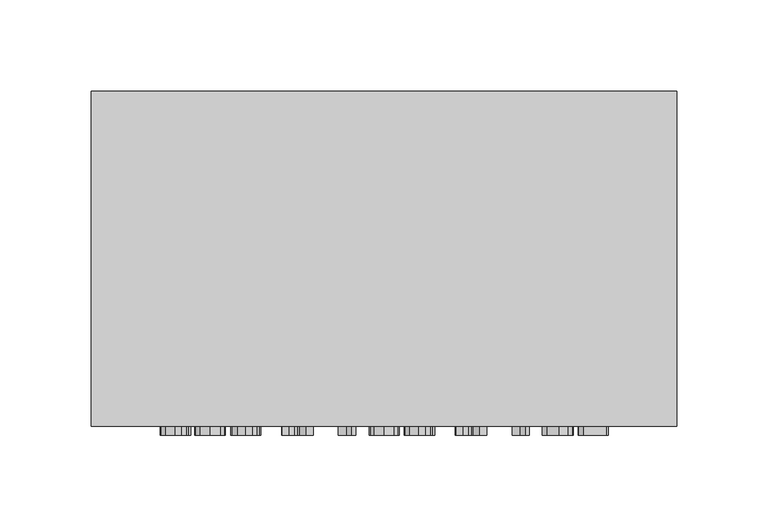
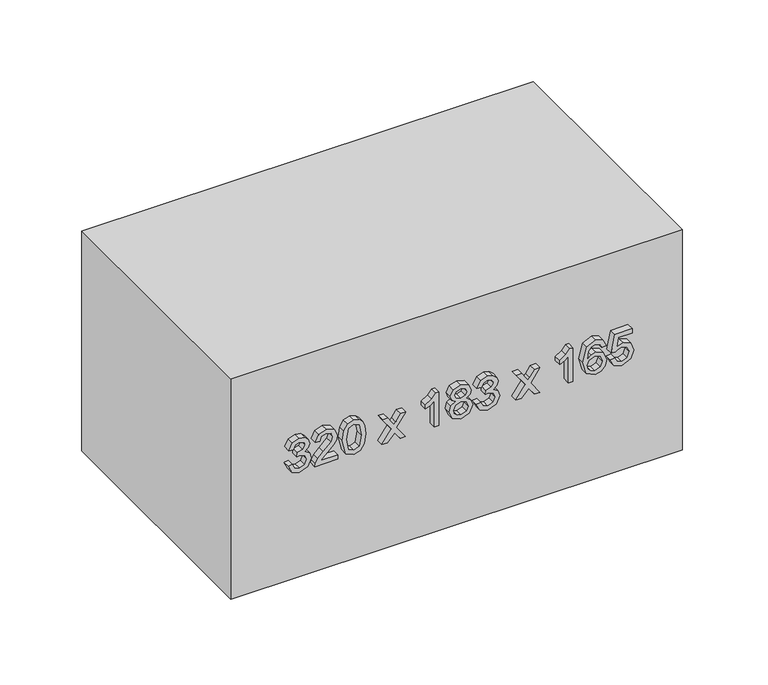
"""IFC4 building model written with IfcOpenShell, lengths in millimetres: furniture geometry."""

from ifc_helpers import new_model, si_unit, frame, origin, origin_with_axes, place, context, project, spatial, polyline, outline, extrude, source, transform, mapped, element, save


def furniture_33647329(model_context):
    return source(origin(), model_context, "Body", "SweptSolid", [
        extrude(outline(polyline([(89.1709268, -77.5345978), (84.0757612, -75.0391316), (82.1075925, -69.5331644), (84.4129864, -63.4569801), (90.0293182, -61.0534844), (94.1128083, -62.2552323), (96.2587866, -65.6765349), (98.3373199, -63.1013609), (101.2313249, -62.2307068), (104.3981758, -63.1473461), (106.7526205, -65.7960965), (107.6140775, -69.5822154), (105.8666381, -74.5731478), (100.9431507, -77.1421904), (100.5507432, -74.0029307), (103.4937992, -72.4639577), (104.4748178, -69.4718508), (103.5029962, -66.5165321), (101.0473839, -65.3699665), (98.2760062, -66.9518591), (97.4114835, -71.0169551), (94.2722238, -71.366443), (94.6155804, -69.1652824), (93.3310591, -65.5968271), (90.0845005, -64.1927441), (86.6386724, -65.6090898), (85.2468522, -69.4227998), (86.2585277, -72.6632271), (89.5633343, -74.3953381), (89.1709268, -77.5345978)])), frame((0.0, -188.0, 0.0), z_axis=(0.0, 1.0, 0.0), x_axis=(0.0, 0.0, 1.0)), (0.0, 0.0, 1.0), 5.0),
        extrude(outline(polyline([(85.6392597, -42.2179263), (85.6392597, -54.5481045), (87.2364807, -53.1317588), (90.2561787, -49.5203839), (94.5573324, -45.0230265), (97.6352784, -43.1682881), (100.6120569, -42.6103338), (105.6029893, -44.67967), (107.6140775, -50.2990675), (105.8053244, -55.9000708), (100.5507432, -58.3066322), (100.1583358, -55.1673725), (103.3282523, -53.846063), (104.4748178, -50.3665125), (103.3006611, -47.0279834), (100.4219845, -45.7495934), (96.8657919, -47.1046255), (91.6357362, -52.5247535), (87.9967701, -56.4549595), (84.6643724, -58.3618145), (82.5, -58.6990397), (82.5, -42.2179263), (85.6392597, -42.2179263)])), frame((0.0, -188.0, 0.0), z_axis=(0.0, 1.0, 0.0), x_axis=(0.0, 0.0, 1.0)), (0.0, 0.0, 1.0), 5.0),
        extrude(outline(polyline([(94.8547037, -39.0786666), (84.4988255, -36.577069), (82.1075925, -30.8381099), (83.4840843, -26.2426507), (87.659545, -23.5111268), (94.8547037, -22.5975532), (100.756144, -23.1677703), (104.4717522, -24.6392983), (106.8047371, -27.1715527), (107.6140775, -30.8381099), (106.2467828, -35.4151751), (102.0805192, -38.1558959), (94.8547037, -39.0786666)]), holes=[polyline([(94.860835, -35.9394069), (102.7948234, -34.418828), (104.4748178, -30.8748981), (102.5679628, -27.15929), (94.860835, -25.7368129), (87.0709338, -27.2083409), (85.2468522, -30.8381099), (87.0648024, -34.4678789), (94.860835, -35.9394069)])]), frame((0.0, -188.0, 0.0), z_axis=(0.0, 1.0, 0.0), x_axis=(0.0, 0.0, 1.0)), (0.0, 0.0, 1.0), 5.0),
        extrude(outline(polyline([(82.5, -11.2177368), (82.5, -7.440815), (88.0734122, -1.9655047), (82.5, 1.8788622), (82.5, 5.655784), (91.7706263, -0.7331), (100.9431507, 5.9010387), (100.9431507, 2.1241169), (96.148422, -1.3462366), (94.4439021, -2.5786413), (96.5285667, -4.0011184), (100.9431507, -7.0484076), (100.9431507, -10.8253294), (91.7706263, -4.5100218), (82.5, -11.2177368)])), frame((0.0, -188.0, 0.0), z_axis=(0.0, 1.0, 0.0), x_axis=(0.0, 0.0, 1.0)), (0.0, 0.0, 1.0), 5.0),
        extrude(outline(polyline([(82.5, 29.2002317), (107.6140775, 29.2002317), (107.6140775, 27.1768807), (104.2724827, 24.3840433), (101.3355582, 19.7824526), (98.3679767, 19.7824526), (99.952935, 23.0872592), (102.0713221, 26.060972), (82.5, 26.060972), (82.5, 29.2002317)])), frame((0.0, -188.0, 0.0), z_axis=(0.0, 1.0, 0.0), x_axis=(0.0, 0.0, 1.0)), (0.0, 0.0, 1.0), 5.0),
        extrude(outline(polyline([(96.332363, 41.2299729), (94.0514946, 37.8454586), (89.8944281, 36.6559735), (84.3363443, 38.9245791), (82.1075925, 44.8965302), (84.3271472, 50.8684812), (89.808589, 53.1370869), (93.8706193, 51.993587), (96.332363, 48.6550579), (98.2729405, 51.4356326), (101.2313249, 52.3522719), (105.7562735, 50.2921328), (107.6140775, 44.8536106), (105.799193, 39.4641394), (101.3171641, 37.4407884), (98.2821376, 38.3696904), (96.332363, 41.2299729)]), holes=[polyline([(101.2251936, 40.5800481), (103.5183247, 41.7112852), (104.4748178, 44.8965302), (103.4968649, 48.0725781), (101.0841721, 49.2130122), (98.7542528, 48.1093663), (97.803891, 44.9333184), (98.7603842, 41.6928911), (101.2251936, 40.5800481)]), polyline([(90.0047927, 39.7952332), (93.3341248, 41.122674), (94.6646313, 44.8168224), (93.3157307, 48.6182697), (89.9066908, 49.9978272), (86.5620304, 48.6611892), (85.2468522, 44.9210556), (85.8722516, 42.1742034), (87.6411509, 40.319465), (90.0047927, 39.7952332)])]), frame((0.0, -188.0, 0.0), z_axis=(0.0, 1.0, 0.0), x_axis=(0.0, 0.0, 1.0)), (0.0, 0.0, 1.0), 5.0),
        extrude(outline(polyline([(89.1709268, 55.8839391), (84.0757612, 58.3794053), (82.1075925, 63.8853725), (84.4129864, 69.9615568), (90.0293182, 72.3650525), (94.1128083, 71.1633046), (96.2587866, 67.7420021), (98.3373199, 70.317176), (101.2313249, 71.1878301), (104.3981758, 70.2711908), (106.7526205, 67.6224404), (107.6140775, 63.8363215), (105.8666381, 58.8453891), (100.9431507, 56.2763465), (100.5507432, 59.4156062), (103.4937992, 60.9545793), (104.4748178, 63.9466861), (103.5029962, 66.9020048), (101.0473839, 68.0485704), (98.2760062, 66.4666778), (97.4114835, 62.4015818), (94.2722238, 62.0520939), (94.6155804, 64.2532545), (93.3310591, 67.8217098), (90.0845005, 69.2257928), (86.6386724, 67.8094471), (85.2468522, 63.9957371), (86.2585277, 60.7553098), (89.5633343, 59.0231988), (89.1709268, 55.8839391)])), frame((0.0, -188.0, 0.0), z_axis=(0.0, 1.0, 0.0), x_axis=(0.0, 0.0, 1.0)), (0.0, 0.0, 1.0), 5.0),
        extrude(outline(polyline([(82.5, 83.7448689), (82.5, 87.5217907), (88.0734122, 92.997101), (82.5, 96.8414679), (82.5, 100.6183897), (91.7706263, 94.2295057), (100.9431507, 100.8636444), (100.9431507, 97.0867225), (96.148422, 93.6163691), (94.4439021, 92.3839644), (96.5285667, 90.9614873), (100.9431507, 87.9141981), (100.9431507, 84.1372763), (91.7706263, 90.4525839), (82.5, 83.7448689)])), frame((0.0, -188.0, 0.0), z_axis=(0.0, 1.0, 0.0), x_axis=(0.0, 0.0, 1.0)), (0.0, 0.0, 1.0), 5.0),
        extrude(outline(polyline([(82.5, 124.1628374), (107.6140775, 124.1628374), (107.6140775, 122.1394864), (104.2724827, 119.3466489), (101.3355582, 114.7450583), (98.3679767, 114.7450583), (99.952935, 118.0498649), (102.0713221, 121.0235777), (82.5, 121.0235777), (82.5, 124.1628374)])), frame((0.0, -188.0, 0.0), z_axis=(0.0, 1.0, 0.0), x_axis=(0.0, 0.0, 1.0)), (0.0, 0.0, 1.0), 5.0),
        extrude(outline(polyline([(100.9431507, 147.7072851), (105.8421126, 145.3896285), (107.6140775, 140.4293529), (104.7507293, 133.9730239), (94.2231729, 131.2261717), (84.9280212, 133.7001781), (82.1075925, 140.0982591), (83.1713846, 144.2124061), (86.2370679, 147.0634916), (90.5688784, 148.0996925), (96.3507571, 145.8985319), (98.5887059, 140.564243), (97.7701685, 137.1337434), (95.2655052, 134.3654314), (100.8603772, 135.2575452), (103.7145284, 137.4004579), (104.4748178, 140.2331492), (103.1688368, 143.3785403), (100.5507432, 144.5680254), (100.9431507, 147.7072851)]), holes=[polyline([(90.6179294, 134.3654314), (94.115874, 135.9258642), (95.4494462, 139.7242458), (94.115874, 143.5716783), (90.4646452, 144.9604329), (86.6509352, 143.5532842), (85.2468522, 139.8530045), (85.9243682, 137.0233788), (87.8986683, 135.0919983), (90.6179294, 134.3654314)])]), frame((0.0, -188.0, 0.0), z_axis=(0.0, 1.0, 0.0), x_axis=(0.0, 0.0, 1.0)), (0.0, 0.0, 1.0), 5.0),
        extrude(outline(polyline([(89.1709268, 150.8465448), (84.0420387, 153.2960257), (82.1075925, 158.8357154), (85.1180935, 165.3594895), (90.9428918, 167.3276582), (96.7309018, 165.141826), (98.9811134, 159.7738145), (97.1662289, 155.181421), (104.0824104, 156.5241902), (104.0824104, 166.1504358), (107.2216701, 166.1504358), (107.2216701, 153.9858045), (94.2722238, 151.2389522), (93.8798164, 154.3782119), (95.2961621, 156.1409798), (95.8418537, 158.8970291), (94.4745589, 162.8732203), (90.7466881, 164.1883985), (86.7521027, 162.7843155), (85.2468522, 158.8479782), (86.3290384, 155.567697), (89.5633343, 153.9858045), (89.1709268, 150.8465448)])), frame((0.0, -188.0, 0.0), z_axis=(0.0, 1.0, 0.0), x_axis=(0.0, 0.0, 1.0)), (0.0, 0.0, 1.0), 5.0),
        extrude(outline(polyline([(204.7003264, 0.0), (204.7003264, -183.0), (-115.2996736, -183.0), (-115.2996736, 0.0), (204.7003264, 0.0)])), origin_with_axes(), (0.0, 0.0, 1.0), 165.0),
    ])


if __name__ == "__main__":
    model = new_model("IFC4")
    model_context = context("Model", 3, world=origin())
    ifc_project = project(units=[si_unit("LENGTHUNIT", "METRE", prefix="MILLI")], contexts=[model_context])
    site = spatial("IfcSite", under=ifc_project)
    building = spatial("IfcBuilding", under=site)
    placement = place(None, origin())
    furniture_shape = furniture_33647329(model_context)
    element("IfcFurniture", 1, at=placement, inside=building, context=model_context, shape_type="MappedRepresentation", body=[
        mapped(furniture_shape, transform((0.0, 0.0, 0.0), x_axis=(1.0, 0.0, 0.0), y_axis=(0.0, 1.0, 0.0), z_axis=(0.0, 0.0, 1.0))),
    ])
    save(model, "model.ifc")
